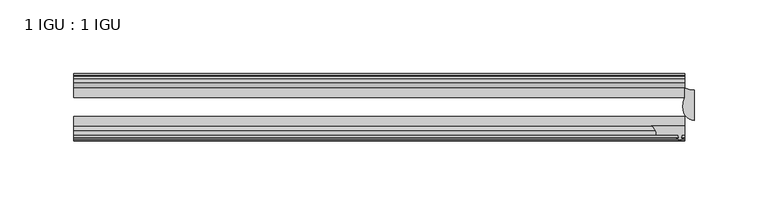
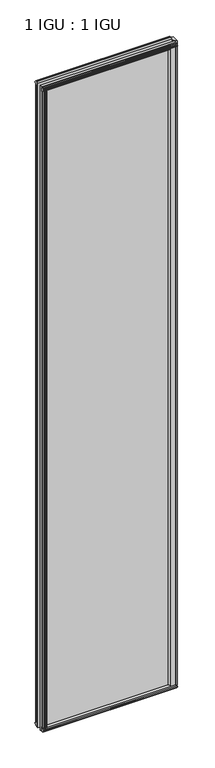
"""IFC4 building model written with IfcOpenShell, lengths in millimetres: plate geometry, 1 IGU : 1 IGU."""

from ifc_helpers import new_model, si_unit, point, frame, frame_2d, origin, origin_with_axes, place, context, project, spatial, polyline, circle_curve, ellipse_curve, trimmed, segment, composite_curve, outline, extrude, source, transform, mapped, element, save
from ifc_brep_helpers import plane_surface, cylinder_surface, revolved_surface, extruded_surface, advanced_brep


def plate_1_igu_1_igu_ef25b568(model_context):
    return source(origin(), model_context, "Body", "SolidModel", [
        extrude(outline(composite_curve([segment(polyline([(186.9687723, -44.9460938), (209.5073409, -44.9460938), (209.5073409, -51.2960938), (207.6023409, -51.2960938), (207.2848409, -53.4006957), (208.4907468, -53.0775742), (208.4907468, -53.8927506), (206.3323409, -54.4710938), (204.173935, -53.8927506), (204.173935, -53.0775742), (205.3798409, -53.4006957), (205.0623409, -51.2960938), (190.4573409, -51.2960938)]), True, "CONTINUOUS"), segment(trimmed(circle_curve(frame_2d((183.018843, -51.2493858)), 7.4386445), [point((190.4573409, -51.2960938))], [point((186.9687723, -44.9460938))], True, "CARTESIAN"), True, "CONTINUOUS")], self_intersect=False)), origin_with_axes(), (0.0, 0.0, 1.0), 2082.7872998),
        extrude(outline(polyline([(-188.8715546, -19.5460937), (-200.7019486, -19.5460937), (-202.9150261, -16.1419073), (-202.9150261, -13.1960937), (-198.4700261, -13.1960937), (-198.0890261, -10.8158968), (-199.5045552, -11.27583), (-199.5045552, -10.4746158), (-197.3270261, -9.7670937), (-195.1494971, -10.4746158), (-195.1494971, -11.27583), (-196.5650261, -10.8158968), (-196.1840261, -13.1960937), (-190.9768317, -13.1960937), (-188.8715546, -19.5460937)])), origin_with_axes(), (0.0, 0.0, 1.0), 2070.1),
        extrude(outline(polyline([(-16.1419073, -12.4576852), (-19.5460937, -10.2446077), (-19.5460937, 1.5857863), (-13.1960937, -0.5194908), (-13.1960937, -5.7266852), (-10.8158968, -6.1076852), (-11.27583, -4.6921562), (-10.4746158, -4.6921562), (-9.7670937, -6.8696852), (-10.4746158, -9.0472143), (-11.27583, -9.0472143), (-10.8158968, -7.6316852), (-13.1960937, -8.0126852), (-13.1960937, -12.4576852), (-16.1419073, -12.4576852)])), frame((-203.1573409, 0.0, 0.0), z_axis=(1.0, 0.0, 0.0), x_axis=(0.0, 1.0, 0.0)), (0.0, 0.0, 1.0), 412.6646818),
        extrude(outline(polyline([(-48.3502802, -11.938), (-51.2960937, -11.938), (-51.2960937, -7.493), (-53.6762907, -7.112), (-53.2163575, -8.5275291), (-54.0175717, -8.5275291), (-54.7250937, -6.35), (-54.0175717, -4.172471), (-53.2163575, -4.172471), (-53.6762907, -5.588), (-51.2960937, -5.207), (-51.2960937, 0.0001944), (-44.9460937, 2.1054715), (-44.9460937, -9.7249225), (-48.3502802, -11.938)])), frame((-203.1573409, 0.0, 0.0), z_axis=(1.0, 0.0, 0.0), x_axis=(0.0, 1.0, 0.0)), (0.0, 0.0, 1.0), 412.6646818),
        extrude(outline(polyline([(-16.1028367, 2082.5576852), (-13.1960937, 2082.5576852), (-13.1960937, 2078.1126852), (-10.8158968, 2077.7316852), (-11.27583, 2079.1472143), (-10.4746158, 2079.1472143), (-9.7670937, 2076.9696852), (-10.4746158, 2074.7921562), (-11.27583, 2074.7921562), (-10.8158968, 2076.2076852), (-13.1960937, 2075.8266852), (-13.1960937, 2070.5940908), (-19.5460937, 2068.4888137), (-19.5460937, 2080.3192077), (-16.1028367, 2082.5576852)])), frame((-203.1573409, 0.0, 0.0), z_axis=(1.0, 0.0, 0.0), x_axis=(0.0, 1.0, 0.0)), (0.0, 0.0, 1.0), 412.6646818),
        extrude(outline(polyline([(-48.3893508, 2082.0126), (-44.9460937, 2079.7741225), (-44.9460937, 2067.9437285), (-51.2960937, 2070.0490056), (-51.2960937, 2075.2816), (-53.6762907, 2075.6626), (-53.2163575, 2074.2470709), (-54.0175717, 2074.2470709), (-54.7250938, 2076.4246), (-54.0175717, 2078.602129), (-53.2163575, 2078.602129), (-53.6762907, 2077.1866), (-51.2960937, 2077.5676), (-51.2960937, 2082.0126), (-48.3893508, 2082.0126)])), frame((-203.1573409, 0.0, 0.0), z_axis=(1.0, 0.0, 0.0), x_axis=(0.0, 1.0, 0.0)), (0.0, 0.0, 1.0), 412.6646818),
        advanced_brep(
        [(215.8573409, -41.2564987, 2082.7872998), (215.8573409, -20.7775816, 2082.7872998), (209.5073409, -19.5460938, 2082.7872998), (209.5073409, -25.8452938, 2082.7872998), (208.3350038, -32.2460938, 2082.7872998), (215.8573409, -41.2564987, 0.0), (208.3350038, -32.2460938, 0.0), (209.5073409, -25.8452938, 0.0), (209.5073409, -19.5460938, 0.0), (215.8573409, -20.7775816, 0.0)],
        [
            (0, 1),
            (1, 2, circle_curve(frame((215.8573409, -3.7903806, 2082.7872998), z_axis=(0.0, 0.0, -1.0), x_axis=(0.0, 1.0, 0.0)), 16.987201)),
            (2, 3),
            (3, 4, circle_curve(frame((226.3949172, -32.2460938, 2082.7872998), z_axis=(0.0, 0.0, 1.0), x_axis=(0.0, 1.0, 0.0)), 18.0599135)),
            (4, 0, ellipse_curve(frame((215.8573409, -32.2460938, 2082.7872998), z_axis=(0.0, 0.0, 1.0), x_axis=(0.0, 1.0, 0.0)), 9.010405, 7.5223372)),
            (5, 6, ellipse_curve(frame((215.8573409, -32.2460938, 0.0), z_axis=(0.0, 0.0, -1.0), x_axis=(0.0, 1.0, 0.0)), 9.010405, 7.5223372)),
            (6, 7, circle_curve(frame((226.3949172, -32.2460938, 0.0), z_axis=(0.0, 0.0, -1.0), x_axis=(0.0, 1.0, 0.0)), 18.0599135)),
            (7, 8),
            (8, 9, circle_curve(frame((215.8573409, -3.7903806, 0.0), z_axis=(0.0, 0.0, 1.0), x_axis=(0.0, 1.0, 0.0)), 16.987201)),
            (9, 5),
            (0, 5),
            (9, 1),
            (4, 6),
            (8, 2),
            (7, 3),
        ],
        [
            plane_surface(frame((190.4573409, -13.1960938, 2082.7872998), z_axis=(0.0, 0.0, 1.0), x_axis=(0.0, 1.0, 0.0))),
            plane_surface(frame((190.4573409, -13.1960938, 0.0), z_axis=(0.0, 0.0, -1.0), x_axis=(0.0, 1.0, 0.0))),
            plane_surface(frame((215.8573409, -41.2564987, 2082.7872998), z_axis=(1.0, 0.0, 0.0), x_axis=(0.0, 0.0, -1.0))),
            extruded_surface(trimmed(ellipse_curve(frame((215.8573409, -32.2460938, 0.0), z_axis=(0.0, 0.0, 1.0), x_axis=(0.0, 1.0, 0.0)), 9.010405, 7.5223372), [point((208.3350038, -32.2460938, 0.0))], [point((215.8573409, -41.2564987, 0.0))], True, "CARTESIAN"), (0.0, 0.0, 2082.7872998), 2082.7872998),
            revolved_surface(polyline([(215.8573409, 13.196820399999998, 0.0), (215.8573409, 13.196820399999998, 2082.7872998)]), (215.8573409, -3.7903806, 2082.7872998), (0.0, 0.0, -1.0)),
            plane_surface(frame((209.5073409, -19.5460938, 2082.7872998), z_axis=(-1.0, 0.0, 0.0), x_axis=(0.0, 0.0, -1.0))),
            cylinder_surface(frame((226.3949172, -32.2460938, 2082.7872998), z_axis=(0.0, 0.0, 1.0), x_axis=(0.0, 1.0, 0.0)), 18.0599135),
        ],
        [
            (0, [[1, 2, 3, 4, 5]]),
            (1, [[6, 7, 8, 9, 10]]),
            (2, [[-1, 11, -10, 12]]),
            (3, [[-5, 13, -6, -11]]),
            (4, [[-2, -12, -9, 14]]),
            (5, [[-3, -14, -8, 15]]),
            (6, [[-4, -15, -7, -13]]),
        ],
    ),
        extrude(outline(polyline([(-188.3518694, -44.9460938), (-190.4571465, -51.2960938), (-195.6643409, -51.2960938), (-196.0453409, -53.6762907), (-194.6298119, -53.2163575), (-194.6298119, -54.0175717), (-196.8073409, -54.7250938), (-198.98487, -54.0175717), (-198.98487, -53.2163575), (-197.5693409, -53.6762907), (-197.9503409, -51.2960938), (-202.3953409, -51.2960938), (-202.3953409, -48.3502802), (-200.1822634, -44.9460938), (-188.3518694, -44.9460938)])), origin_with_axes(), (0.0, 0.0, 1.0), 2070.1),
        extrude(outline(polyline([(209.5073409, -19.5460937), (209.5073409, -25.8337453), (-203.1573409, -25.8337453), (-203.1573409, -19.5460937), (209.5073409, -19.5460937)])), frame((0.0, 0.0, -12.7), z_axis=(0.0, 0.0, 1.0), x_axis=(1.0, 0.0, 0.0)), (0.0, 0.0, 1.0), 2095.4872998),
        extrude(outline(polyline([(-203.1573409, -44.9460937), (-203.1573409, -38.6468938), (209.5073409, -38.6468938), (209.5073409, -44.9460937), (-203.1573409, -44.9460937)])), frame((0.0, 0.0, -12.7), z_axis=(0.0, 0.0, 1.0), x_axis=(1.0, 0.0, 0.0)), (0.0, 0.0, 1.0), 2095.4872998),
    ])


if __name__ == "__main__":
    model = new_model("IFC4")
    model_context = context("Model", 3, world=origin())
    ifc_project = project(units=[si_unit("LENGTHUNIT", "METRE", prefix="MILLI")], contexts=[model_context])
    site = spatial("IfcSite", under=ifc_project)
    building = spatial("IfcBuilding", under=site)
    placement = place(None, origin())
    plate_1_igu_1_igu_shape = plate_1_igu_1_igu_ef25b568(model_context)
    element("IfcPlate", 1, ObjectType="1 IGU : 1 IGU", at=placement, inside=building, context=model_context, shape_type="MappedRepresentation", body=[
        mapped(plate_1_igu_1_igu_shape, transform((0.0, 0.0, 0.0), x_axis=(1.0, 0.0, 0.0), y_axis=(0.0, 1.0, 0.0), z_axis=(0.0, 0.0, 1.0))),
    ])
    save(model, "model.ifc")
